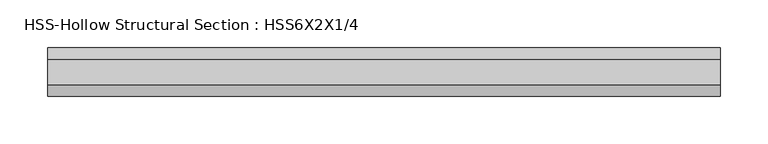
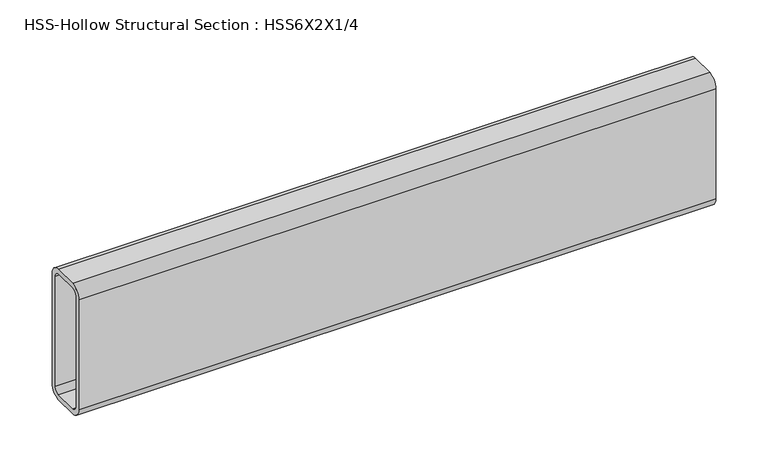
"""IFC4 building model written with IfcOpenShell, lengths in millimetres: beam geometry, HSS-Hollow Structural Section : HSS6X2X1/4."""

from ifc_helpers import new_model, si_unit, point, frame, frame_2d, origin, place, context, project, spatial, polyline, circle_curve, trimmed, segment, composite_curve, outline, extrude, source, transform, mapped, element, save


def hss_hollow_structural_section_hss6x2x1_4_00f2e0f9(model_context):
    return source(origin(), model_context, "Body", "SweptSolid", [
        extrude(outline(composite_curve([segment(polyline([(25.4, 64.3636), (25.4, -64.3636)]), True, "CONTINUOUS"), segment(trimmed(circle_curve(frame_2d((13.5636, -64.3636)), 11.8364), [point((25.4, -64.3636))], [point((13.5636, -76.2))], False, "CARTESIAN"), True, "CONTINUOUS"), segment(polyline([(13.5636, -76.2), (-13.5636, -76.2)]), True, "CONTINUOUS"), segment(trimmed(circle_curve(frame_2d((-13.5636, -64.3636)), 11.8364), [point((-13.5636, -76.2))], [point((-25.4, -64.3636))], False, "CARTESIAN"), True, "CONTINUOUS"), segment(polyline([(-25.4, -64.3636), (-25.4, 64.3636)]), True, "CONTINUOUS"), segment(trimmed(circle_curve(frame_2d((-13.5636, 64.3636)), 11.8364), [point((-25.4, 64.3636))], [point((-13.5636, 76.2))], False, "CARTESIAN"), True, "CONTINUOUS"), segment(polyline([(-13.5636, 76.2), (13.5636, 76.2)]), True, "CONTINUOUS"), segment(trimmed(circle_curve(frame_2d((13.5636, 64.3636)), 11.8364), [point((13.5636, 76.2))], [point((25.4, 64.3636))], False, "CARTESIAN"), True, "CONTINUOUS")], self_intersect=False), holes=[composite_curve([segment(trimmed(circle_curve(frame_2d((-13.5636, 64.3636)), 5.9182), [point((-13.5636, 70.2818))], [point((-19.4818, 64.3636))], True, "CARTESIAN"), True, "CONTINUOUS"), segment(polyline([(-19.4818, 64.3636), (-19.4818, -64.3636)]), True, "CONTINUOUS"), segment(trimmed(circle_curve(frame_2d((-13.5636, -64.3636)), 5.9182), [point((-19.4818, -64.3636))], [point((-13.5636, -70.2818))], True, "CARTESIAN"), True, "CONTINUOUS"), segment(polyline([(-13.5636, -70.2818), (13.5636, -70.2818)]), True, "CONTINUOUS"), segment(trimmed(circle_curve(frame_2d((13.5636, -64.3636)), 5.9182), [point((13.5636, -70.2818))], [point((19.4818, -64.3636))], True, "CARTESIAN"), True, "CONTINUOUS"), segment(polyline([(19.4818, -64.3636), (19.4818, 64.3636)]), True, "CONTINUOUS"), segment(trimmed(circle_curve(frame_2d((13.5636, 64.3636)), 5.9182), [point((19.4818, 64.3636))], [point((13.5636, 70.2818))], True, "CARTESIAN"), True, "CONTINUOUS"), segment(polyline([(13.5636, 70.2818), (-13.5636, 70.2818)]), True, "CONTINUOUS")], self_intersect=False)]), frame((-352.425, 0.0, 0.0), z_axis=(1.0, 0.0, 0.0), x_axis=(0.0, 1.0, 0.0)), (0.0, 0.0, 1.0), 704.85),
    ])


if __name__ == "__main__":
    model = new_model("IFC4")
    model_context = context("Model", 3, world=origin())
    ifc_project = project(units=[si_unit("LENGTHUNIT", "METRE", prefix="MILLI")], contexts=[model_context])
    site = spatial("IfcSite", under=ifc_project)
    building = spatial("IfcBuilding", under=site)
    placement = place(None, origin())
    hss_hollow_structural_section_hss6x2x1_4_shape = hss_hollow_structural_section_hss6x2x1_4_00f2e0f9(model_context)
    element("IfcBeam", 1, ObjectType="HSS-Hollow Structural Section : HSS6X2X1/4", at=placement, inside=building, context=model_context, shape_type="MappedRepresentation", body=[
        mapped(hss_hollow_structural_section_hss6x2x1_4_shape, transform((0.0, 0.0, 0.0), x_axis=(1.0, 0.0, 0.0), y_axis=(0.0, 1.0, 0.0), z_axis=(0.0, 0.0, 1.0))),
    ])
    save(model, "model.ifc")
